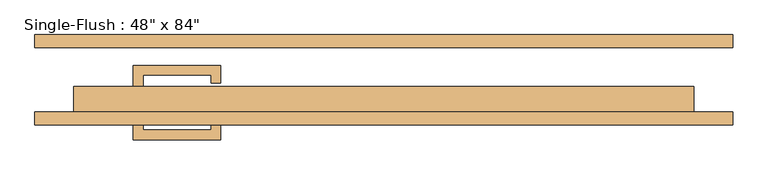
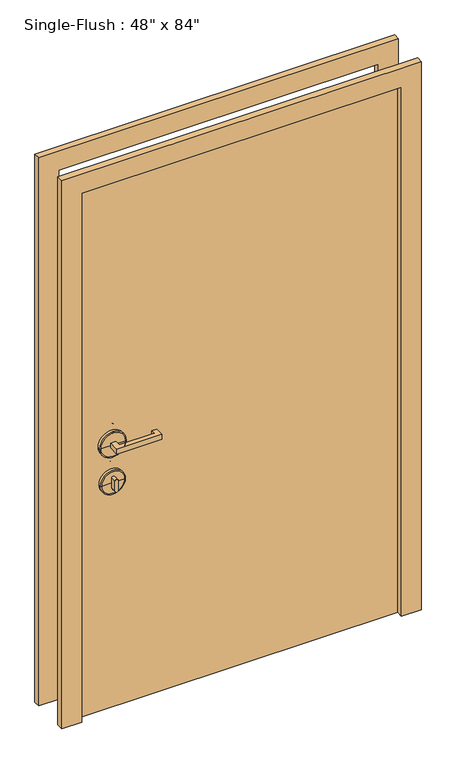
"""IFC4 building model written with IfcOpenShell, lengths in millimetres: door geometry."""

from ifc_helpers import new_model, si_unit, point, frame, frame_2d, origin, origin_with_axes, place, context, project, spatial, polyline, circle_curve, ellipse_curve, trimmed, segment, composite_curve, outline, extrude, source, transform, mapped, element, save
from ifc_brep_helpers import plane_surface, cylinder_surface, revolved_surface, advanced_brep


def door_f37761d7(model_context):
    return source(origin(), model_context, "Body", "SolidModel", [
        extrude(outline(polyline([(-473.075, -12.7), (-492.125, -12.7), (-492.125, 28.575), (-320.675, 28.575), (-320.675, -6.35), (-339.725, -6.35), (-339.725, 9.525), (-473.075, 9.525), (-473.075, -12.7)])), frame((0.0, 0.0, 1057.275), z_axis=(0.0, 0.0, 1.0), x_axis=(1.0, 0.0, 0.0)), (0.0, 0.0, 1.0), 19.05),
        extrude(outline(composite_curve([segment(trimmed(circle_curve(frame_2d((895.35, -482.6)), 6.35), [point((895.35, -488.95))], [point((895.35, -476.25))], False, "CARTESIAN"), True, "CONTINUOUS"), segment(polyline([(895.35, -476.25), (933.45, -476.25)]), True, "CONTINUOUS"), segment(trimmed(circle_curve(frame_2d((933.45, -482.6)), 6.35), [point((933.45, -476.25))], [point((933.45, -488.95))], False, "CARTESIAN"), True, "CONTINUOUS"), segment(polyline([(933.45, -488.95), (895.35, -488.95)]), True, "CONTINUOUS")], self_intersect=False)), frame((0.0, -12.7, 0.0), z_axis=(0.0, 1.0, 0.0), x_axis=(0.0, 0.0, 1.0)), (0.0, 0.0, 1.0), 22.225),
        advanced_brep(
        [(-434.975, -15.875, 914.4), (-530.225, -15.875, 914.4), (-530.225, -25.4, 914.4), (-434.975, -25.4, 914.4), (-438.15, -12.7, 914.4), (-527.05, -12.7, 914.4), (-482.6, -12.7, 914.4), (-482.6, -25.4, 914.4)],
        [
            (0, 1, circle_curve(frame((-482.6, -15.875, 914.4), z_axis=(0.0, -1.0, 0.0), x_axis=(-1.0, 0.0, 0.0)), 47.625)),
            (1, 2),
            (2, 3, circle_curve(frame((-482.6, -25.4, 914.4), z_axis=(0.0, 1.0, 0.0), x_axis=(-1.0, 0.0, 0.0)), 47.625)),
            (3, 0),
            (1, 0, circle_curve(frame((-482.6, -15.875, 914.4), z_axis=(0.0, -1.0, 0.0), x_axis=(-1.0, 0.0, 0.0)), 47.625)),
            (3, 2, circle_curve(frame((-482.6, -25.4, 914.4), z_axis=(0.0, 1.0, 0.0), x_axis=(-1.0, 0.0, 0.0)), 47.625)),
            (4, 5, circle_curve(frame((-482.6, -12.7, 914.4), z_axis=(0.0, -1.0, 0.0), x_axis=(-1.0, 0.0, 0.0)), 44.45)),
            (5, 1, circle_curve(frame((-527.05, -15.875, 914.4), z_axis=(0.0, 0.0, 1.0), x_axis=(1.0, 0.0, 0.0)), 3.175)),
            (0, 4, circle_curve(frame((-438.15, -15.875, 914.4), z_axis=(0.0, 0.0, 1.0), x_axis=(-1.0, 0.0, 0.0)), 3.175)),
            (5, 4, circle_curve(frame((-482.6, -12.7, 914.4), z_axis=(0.0, -1.0, 0.0), x_axis=(-1.0, 0.0, 0.0)), 44.45)),
            (6, 5),
            (4, 6),
            (2, 7),
            (7, 3),
        ],
        [
            cylinder_surface(frame((-482.6, -152.4, 914.4), z_axis=(0.0, 1.0, 0.0), x_axis=(-1.0, 0.0, 0.0)), 47.625),
            revolved_surface(trimmed(ellipse_curve(frame((-527.05, -15.875, 914.4), z_axis=(0.0, 0.0, -1.0), x_axis=(1.0, 0.0, 0.0)), 3.175, 3.175), [point((-530.225, -15.875, 914.4))], [point((-527.05, -12.7, 914.4))], True, "CARTESIAN"), (-482.6, -152.4, 914.4), (0.0, 1.0, 0.0)),
            plane_surface(frame((-482.6, -12.7, 914.4), z_axis=(0.0, 1.0, 0.0), x_axis=(-1.0, 0.0, 0.0))),
            plane_surface(frame((-482.6, -25.4, 914.4), z_axis=(0.0, -1.0, 0.0), x_axis=(-1.0, 0.0, 0.0))),
        ],
        [
            (0, [[1, 2, 3, 4]]),
            (0, [[5, -4, 6, -2]]),
            (1, [[7, 8, -1, 9]]),
            (1, [[10, -9, -5, -8]]),
            (2, [[11, -7, 12]]),
            (2, [[-12, -10, -11]]),
            (3, [[-3, 13, 14]]),
            (3, [[-6, -14, -13]]),
        ],
    ),
        advanced_brep(
        [(-431.8, -15.875, 1066.8), (-533.4, -15.875, 1066.8), (-533.4, -25.4, 1066.8), (-431.8, -25.4, 1066.8), (-434.975, -12.7, 1066.8), (-530.225, -12.7, 1066.8), (-482.6, -12.7, 1066.8), (-482.6, -25.4, 1066.8)],
        [
            (0, 1, circle_curve(frame((-482.6, -15.875, 1066.8), z_axis=(0.0, -1.0, 0.0), x_axis=(-1.0, 0.0, 0.0)), 50.8)),
            (1, 2),
            (2, 3, circle_curve(frame((-482.6, -25.4, 1066.8), z_axis=(0.0, 1.0, 0.0), x_axis=(-1.0, 0.0, 0.0)), 50.8)),
            (3, 0),
            (1, 0, circle_curve(frame((-482.6, -15.875, 1066.8), z_axis=(0.0, -1.0, 0.0), x_axis=(-1.0, 0.0, 0.0)), 50.8)),
            (3, 2, circle_curve(frame((-482.6, -25.4, 1066.8), z_axis=(0.0, 1.0, 0.0), x_axis=(-1.0, 0.0, 0.0)), 50.8)),
            (4, 5, circle_curve(frame((-482.6, -12.7, 1066.8), z_axis=(0.0, -1.0, 0.0), x_axis=(-1.0, 0.0, 0.0)), 47.625)),
            (5, 1, circle_curve(frame((-530.225, -15.875, 1066.8), z_axis=(0.0, 0.0, 1.0), x_axis=(1.0, 0.0, 0.0)), 3.175)),
            (0, 4, circle_curve(frame((-434.975, -15.875, 1066.8), z_axis=(0.0, 0.0, 1.0), x_axis=(-1.0, 0.0, 0.0)), 3.175)),
            (5, 4, circle_curve(frame((-482.6, -12.7, 1066.8), z_axis=(0.0, -1.0, 0.0), x_axis=(-1.0, 0.0, 0.0)), 47.625)),
            (6, 5),
            (4, 6),
            (2, 7),
            (7, 3),
        ],
        [
            cylinder_surface(frame((-482.6, -152.4, 1066.8), z_axis=(0.0, 1.0, 0.0), x_axis=(-1.0, 0.0, 0.0)), 50.8),
            revolved_surface(trimmed(ellipse_curve(frame((-530.225, -15.875, 1066.8), z_axis=(0.0, 0.0, -1.0), x_axis=(1.0, 0.0, 0.0)), 3.175, 3.175), [point((-533.4, -15.875, 1066.8))], [point((-530.225, -12.7, 1066.8))], True, "CARTESIAN"), (-482.6, -152.4, 1066.8), (0.0, 1.0, 0.0)),
            plane_surface(frame((-482.6, -12.7, 1066.8), z_axis=(0.0, 1.0, 0.0), x_axis=(-1.0, 0.0, 0.0))),
            plane_surface(frame((-482.6, -25.4, 1066.8), z_axis=(0.0, -1.0, 0.0), x_axis=(-1.0, 0.0, 0.0))),
        ],
        [
            (0, [[1, 2, 3, 4]]),
            (0, [[5, -4, 6, -2]]),
            (1, [[7, 8, -1, 9]]),
            (1, [[10, -9, -5, -8]]),
            (2, [[11, -7, 12]]),
            (2, [[-12, -10, -11]]),
            (3, [[-3, 13, 14]]),
            (3, [[-6, -14, -13]]),
        ],
    ),
        extrude(outline(polyline([(-473.075, -76.2), (-473.075, -98.425), (-339.725, -98.425), (-339.725, -82.55), (-320.675, -82.55), (-320.675, -117.475), (-492.125, -117.475), (-492.125, -76.2), (-473.075, -76.2)])), frame((0.0, 0.0, 1057.275), z_axis=(0.0, 0.0, 1.0), x_axis=(1.0, 0.0, 0.0)), (0.0, 0.0, 1.0), 19.05),
        extrude(outline(composite_curve([segment(trimmed(circle_curve(frame_2d((895.35, -482.6)), 6.35), [point((895.35, -488.95))], [point((895.35, -476.25))], False, "CARTESIAN"), True, "CONTINUOUS"), segment(polyline([(895.35, -476.25), (933.45, -476.25)]), True, "CONTINUOUS"), segment(trimmed(circle_curve(frame_2d((933.45, -482.6)), 6.35), [point((933.45, -476.25))], [point((933.45, -488.95))], False, "CARTESIAN"), True, "CONTINUOUS"), segment(polyline([(933.45, -488.95), (895.35, -488.95)]), True, "CONTINUOUS")], self_intersect=False)), frame((0.0, -98.425, 0.0), z_axis=(0.0, 1.0, 0.0), x_axis=(0.0, 0.0, 1.0)), (0.0, 0.0, 1.0), 22.225),
        advanced_brep(
        [(-434.975, -73.025, 914.4), (-434.975, -63.5, 914.4), (-530.225, -63.5, 914.4), (-530.225, -73.025, 914.4), (-438.15, -76.2, 914.4), (-527.05, -76.2, 914.4), (-482.6, -76.2, 914.4), (-482.6, -63.5, 914.4)],
        [
            (0, 1),
            (1, 2, circle_curve(frame((-482.6, -63.5, 914.4), z_axis=(0.0, -1.0, 0.0), x_axis=(-1.0, 0.0, 0.0)), 47.625)),
            (2, 3),
            (3, 0, circle_curve(frame((-482.6, -73.025, 914.4), z_axis=(0.0, 1.0, 0.0), x_axis=(-1.0, 0.0, 0.0)), 47.625)),
            (2, 1, circle_curve(frame((-482.6, -63.5, 914.4), z_axis=(0.0, -1.0, 0.0), x_axis=(-1.0, 0.0, 0.0)), 47.625)),
            (0, 3, circle_curve(frame((-482.6, -73.025, 914.4), z_axis=(0.0, 1.0, 0.0), x_axis=(-1.0, 0.0, 0.0)), 47.625)),
            (4, 0, circle_curve(frame((-438.15, -73.025, 914.4), z_axis=(0.0, 0.0, 1.0), x_axis=(-1.0, 0.0, 0.0)), 3.175)),
            (3, 5, circle_curve(frame((-527.05, -73.025, 914.4), z_axis=(0.0, 0.0, 1.0), x_axis=(1.0, 0.0, 0.0)), 3.175)),
            (5, 4, circle_curve(frame((-482.6, -76.2, 914.4), z_axis=(0.0, 1.0, 0.0), x_axis=(-1.0, 0.0, 0.0)), 44.45)),
            (4, 5, circle_curve(frame((-482.6, -76.2, 914.4), z_axis=(0.0, 1.0, 0.0), x_axis=(-1.0, 0.0, 0.0)), 44.45)),
            (6, 4),
            (5, 6),
            (1, 7),
            (7, 2),
        ],
        [
            cylinder_surface(frame((-482.6, 63.5, 914.4), z_axis=(0.0, -1.0, 0.0), x_axis=(-1.0, 0.0, 0.0)), 47.625),
            revolved_surface(trimmed(ellipse_curve(frame((-527.05, -73.025, 914.4), z_axis=(0.0, 0.0, 1.0), x_axis=(1.0, 0.0, 0.0)), 3.175, 3.175), [point((-530.225, -73.025, 914.4))], [point((-527.05, -76.2, 914.4))], True, "CARTESIAN"), (-482.6, 63.5, 914.4), (0.0, -1.0, 0.0)),
            plane_surface(frame((-482.6, -76.2, 914.4), z_axis=(0.0, -1.0, 0.0), x_axis=(-1.0, 0.0, 0.0))),
            plane_surface(frame((-482.6, -63.5, 914.4), z_axis=(0.0, 1.0, 0.0), x_axis=(-1.0, 0.0, 0.0))),
        ],
        [
            (0, [[1, 2, 3, 4]]),
            (0, [[-3, 5, -1, 6]]),
            (1, [[7, -4, 8, 9]]),
            (1, [[-8, -6, -7, 10]]),
            (2, [[11, -9, 12]]),
            (2, [[-12, -10, -11]]),
            (3, [[13, 14, -2]]),
            (3, [[-14, -13, -5]]),
        ],
    ),
        advanced_brep(
        [(-431.8, -73.025, 1066.8), (-431.8, -63.5, 1066.8), (-533.4, -63.5, 1066.8), (-533.4, -73.025, 1066.8), (-434.975, -76.2, 1066.8), (-530.225, -76.2, 1066.8), (-482.6, -76.2, 1066.8), (-482.6, -63.5, 1066.8)],
        [
            (0, 1),
            (1, 2, circle_curve(frame((-482.6, -63.5, 1066.8), z_axis=(0.0, -1.0, 0.0), x_axis=(-1.0, 0.0, 0.0)), 50.8)),
            (2, 3),
            (3, 0, circle_curve(frame((-482.6, -73.025, 1066.8), z_axis=(0.0, 1.0, 0.0), x_axis=(-1.0, 0.0, 0.0)), 50.8)),
            (2, 1, circle_curve(frame((-482.6, -63.5, 1066.8), z_axis=(0.0, -1.0, 0.0), x_axis=(-1.0, 0.0, 0.0)), 50.8)),
            (0, 3, circle_curve(frame((-482.6, -73.025, 1066.8), z_axis=(0.0, 1.0, 0.0), x_axis=(-1.0, 0.0, 0.0)), 50.8)),
            (4, 0, circle_curve(frame((-434.975, -73.025, 1066.8), z_axis=(0.0, 0.0, 1.0), x_axis=(-1.0, 0.0, 0.0)), 3.175)),
            (3, 5, circle_curve(frame((-530.225, -73.025, 1066.8), z_axis=(0.0, 0.0, 1.0), x_axis=(1.0, 0.0, 0.0)), 3.175)),
            (5, 4, circle_curve(frame((-482.6, -76.2, 1066.8), z_axis=(0.0, 1.0, 0.0), x_axis=(-1.0, 0.0, 0.0)), 47.625)),
            (4, 5, circle_curve(frame((-482.6, -76.2, 1066.8), z_axis=(0.0, 1.0, 0.0), x_axis=(-1.0, 0.0, 0.0)), 47.625)),
            (6, 4),
            (5, 6),
            (1, 7),
            (7, 2),
        ],
        [
            cylinder_surface(frame((-482.6, 63.5, 1066.8), z_axis=(0.0, -1.0, 0.0), x_axis=(-1.0, 0.0, 0.0)), 50.8),
            revolved_surface(trimmed(ellipse_curve(frame((-530.225, -73.025, 1066.8), z_axis=(0.0, 0.0, 1.0), x_axis=(1.0, 0.0, 0.0)), 3.175, 3.175), [point((-533.4, -73.025, 1066.8))], [point((-530.225, -76.2, 1066.8))], True, "CARTESIAN"), (-482.6, 63.5, 1066.8), (0.0, -1.0, 0.0)),
            plane_surface(frame((-482.6, -76.2, 1066.8), z_axis=(0.0, -1.0, 0.0), x_axis=(-1.0, 0.0, 0.0))),
            plane_surface(frame((-482.6, -63.5, 1066.8), z_axis=(0.0, 1.0, 0.0), x_axis=(-1.0, 0.0, 0.0))),
        ],
        [
            (0, [[1, 2, 3, 4]]),
            (0, [[-3, 5, -1, 6]]),
            (1, [[7, -4, 8, 9]]),
            (1, [[-8, -6, -7, 10]]),
            (2, [[11, -9, 12]]),
            (2, [[-12, -10, -11]]),
            (3, [[13, 14, -2]]),
            (3, [[-14, -13, -5]]),
        ],
    ),
        extrude(outline(polyline([(2209.8, -685.8), (0.0, -685.8), (0.0, -609.6), (2133.6, -609.6), (2133.6, 609.6), (0.0, 609.6), (0.0, 685.8), (2209.8, 685.8), (2209.8, -685.8)])), frame((0.0, -88.9, 0.0), z_axis=(0.0, 1.0, 0.0), x_axis=(0.0, 0.0, 1.0)), (0.0, 0.0, 1.0), 25.4),
        extrude(outline(polyline([(2209.8, 685.8), (2209.8, -685.8), (0.0, -685.8), (0.0, -609.6), (2133.6, -609.6), (2133.6, 609.6), (0.0, 609.6), (0.0, 685.8), (2209.8, 685.8)])), frame((0.0, 63.5, 0.0), z_axis=(0.0, 1.0, 0.0), x_axis=(0.0, 0.0, 1.0)), (0.0, 0.0, 1.0), 25.4),
        extrude(outline(polyline([(609.6, -12.7), (609.6, -63.5), (-609.6, -63.5), (-609.6, -12.7), (609.6, -12.7)])), origin_with_axes(), (0.0, 0.0, 1.0), 2133.6),
    ])


if __name__ == "__main__":
    model = new_model("IFC4")
    model_context = context("Model", 3, world=origin())
    ifc_project = project(units=[si_unit("LENGTHUNIT", "METRE", prefix="MILLI")], contexts=[model_context])
    site = spatial("IfcSite", under=ifc_project)
    building = spatial("IfcBuilding", under=site)
    placement = place(None, origin())
    door_shape = door_f37761d7(model_context)
    element("IfcDoor", 1, ObjectType="Single-Flush : 48\" x 84\"", at=placement, inside=building, context=model_context, shape_type="MappedRepresentation", body=[
        mapped(door_shape, transform((0.0, 0.0, 0.0), x_axis=(1.0, 0.0, 0.0), y_axis=(0.0, 1.0, 0.0), z_axis=(0.0, 0.0, 1.0))),
    ])
    save(model, "model.ifc")
